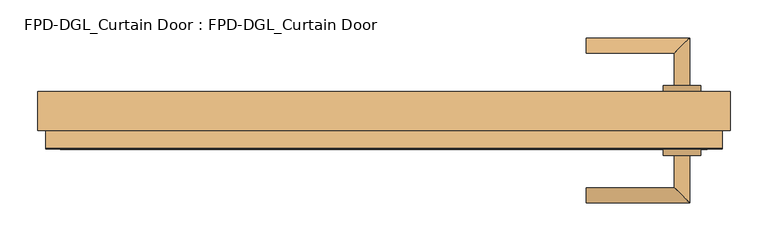
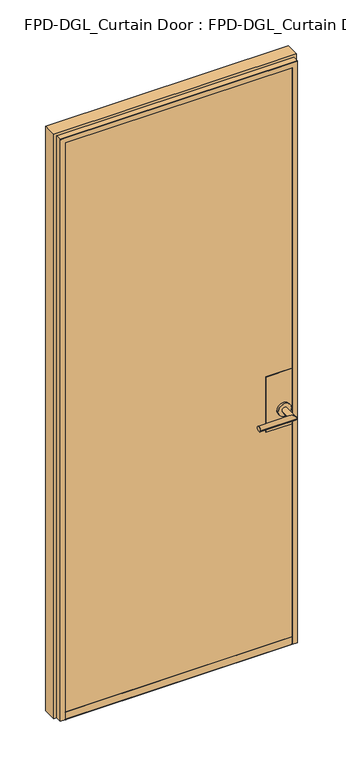
"""IFC4 building model written with IfcOpenShell, lengths in millimetres: door geometry, FPD-DGL_Curtain Door : FPD-DGL_Curtain Door."""

import ifcopenshell
import ifcopenshell.guid

model = None  # the IFC model being written
_history = None  # IfcOwnerHistory: only IFC2X3 demands one
_inside = {}  # id of a spatial element -> (the spatial element, [elements in it])
_under = {}  # id of a project, library or spatial element -> (it, [spatial elements below it])
_declared = {}  # id of a project -> (the project, [libraries it declares])
_typed = {}  # id of a type object -> (the type object, [elements of that type])
_made_of = {}  # id of a material, layer set ... -> (it, [elements and type objects made of it])


def new_model(schema):
    """Start an empty IFC model of exactly this schema.

    Asked for "IFC4X3", IfcOpenShell would pick the latest addendum, in which some entities
    have other attributes; the version numbers below select the first issue.
    IFC2X3 requires an IfcOwnerHistory on every rooted entity: one is made here for all.
    """
    global model, _history
    if schema == "IFC4X3":
        model = ifcopenshell.file(schema_version=(4, 3, 0, 0))
    else:
        model = ifcopenshell.file(schema=schema)
    _inside.clear()
    _under.clear()
    _declared.clear()
    _typed.clear()
    _made_of.clear()
    _history = None
    if model.schema == "IFC2X3":
        org = make("IfcOrganization", Name="unknown")
        user = make(
            "IfcPersonAndOrganization",
            ThePerson=make("IfcPerson", FamilyName="unknown"),
            TheOrganization=org,
        )
        app = make(
            "IfcApplication",
            ApplicationDeveloper=org,
            Version="unknown",
            ApplicationFullName="unknown",
            ApplicationIdentifier="unknown",
        )
        _history = make(
            "IfcOwnerHistory",
            OwningUser=user,
            OwningApplication=app,
            ChangeAction="ADDED",
            CreationDate=0,
        )
    return model


def make(cls, **values):
    """One entity of the class cls with the attributes given. An attribute that is None is left unset."""
    return model.create_entity(
        cls, **{name: value for name, value in values.items() if value is not None}
    )


def rooted(cls, **values):
    """An entity with a GlobalId (a new one), such as an element, a storey or a relation."""
    return make(cls, GlobalId=ifcopenshell.guid.new(), OwnerHistory=_history, **values)


def si_unit(unit_type, name, prefix=None):
    """IfcSIUnit, for example si_unit("LENGTHUNIT", "METRE", prefix="MILLI")."""
    return make("IfcSIUnit", UnitType=unit_type, Prefix=prefix, Name=name)


def assignment(units):
    """IfcUnitAssignment: the units of a project."""
    return None if units is None else make("IfcUnitAssignment", Units=units)


def point(xyz):
    """IfcCartesianPoint."""
    return None if xyz is None else make("IfcCartesianPoint", Coordinates=xyz)


def direction(xyz):
    """IfcDirection."""
    return None if xyz is None else make("IfcDirection", DirectionRatios=xyz)


def frame(location, z_axis=None, x_axis=None):
    """IfcAxis2Placement3D, a coordinate frame: its origin and axes. An axis left out is left unset."""
    return make(
        "IfcAxis2Placement3D",
        Location=point(location),
        Axis=direction(z_axis),
        RefDirection=direction(x_axis),
    )


def frame_2d(location, x_axis=None):
    """IfcAxis2Placement2D, a coordinate frame in the plane: its origin and x axis."""
    return make(
        "IfcAxis2Placement2D", Location=point(location), RefDirection=direction(x_axis)
    )


def origin():
    """The frame at (0, 0, 0) with its axes left unset."""
    return frame((0.0, 0.0, 0.0))


def place(relative_to, where):
    """IfcLocalPlacement: puts the frame where relative to a parent placement (None: the world)."""
    return make(
        "IfcLocalPlacement", PlacementRelTo=relative_to, RelativePlacement=where
    )


def context(
    kind, dimensions, precision=None, world=None, true_north=None, identifier=None
):
    """IfcGeometricRepresentationContext, for example the 3D "Model" context."""
    return make(
        "IfcGeometricRepresentationContext",
        ContextIdentifier=identifier,
        ContextType=kind,
        CoordinateSpaceDimension=dimensions,
        Precision=precision,
        WorldCoordinateSystem=world,
        TrueNorth=true_north,
    )


def project(units=None, contexts=None):
    """IfcProject with its units and contexts."""
    return rooted(
        "IfcProject",
        Name="project",
        RepresentationContexts=contexts,
        UnitsInContext=assignment(units),
    )


def spatial(cls, under=None, at=None, **own):
    """A site, building, storey or space (cls), placed at a placement, below another one or the project."""
    s = rooted(cls, ObjectPlacement=at, **own)
    if under is not None:
        _under.setdefault(under.id(), (under, []))[1].append(s)
    return s


def polyline(points):
    """IfcPolyline through the points."""
    return make("IfcPolyline", Points=[point(p) for p in points])


def circle_curve(where, radius):
    """IfcCircle in the frame where."""
    return make("IfcCircle", Position=where, Radius=radius)


def ellipse_curve(where, semi_axis1, semi_axis2):
    """IfcEllipse in the frame where."""
    return make(
        "IfcEllipse", Position=where, SemiAxis1=semi_axis1, SemiAxis2=semi_axis2
    )


def trimmed(basis, trim1, trim2, sense, master):
    """IfcTrimmedCurve: the piece of a basis curve between two trims."""
    return make(
        "IfcTrimmedCurve",
        BasisCurve=basis,
        Trim1=trim1,
        Trim2=trim2,
        SenseAgreement=sense,
        MasterRepresentation=master,
    )


def segment(curve, same_sense, transition):
    """IfcCompositeCurveSegment."""
    return make(
        "IfcCompositeCurveSegment",
        Transition=transition,
        SameSense=same_sense,
        ParentCurve=curve,
    )


def composite_curve(segments, self_intersect=None):
    """IfcCompositeCurve: segments joined end to end."""
    return make("IfcCompositeCurve", Segments=segments, SelfIntersect=self_intersect)


def outline(outer, holes=None, kind="AREA"):
    """IfcArbitraryClosedProfileDef: a profile drawn as a closed curve; with holes, ...WithVoids."""
    if holes is None:
        return make("IfcArbitraryClosedProfileDef", ProfileType=kind, OuterCurve=outer)
    return make(
        "IfcArbitraryProfileDefWithVoids",
        ProfileType=kind,
        OuterCurve=outer,
        InnerCurves=holes,
    )


def extrude(swept, where, along, depth):
    """IfcExtrudedAreaSolid: the profile swept, set in the frame where, extruded along a direction by depth."""
    return make(
        "IfcExtrudedAreaSolid",
        SweptArea=swept,
        Position=where,
        ExtrudedDirection=direction(along),
        Depth=depth,
    )


def shape(context_of_items, identifier, shape_type, items):
    """IfcShapeRepresentation: the items that make up one representation, for example the "Body"."""
    return make(
        "IfcShapeRepresentation",
        ContextOfItems=context_of_items,
        RepresentationIdentifier=identifier,
        RepresentationType=shape_type,
        Items=items,
    )


def source(mapping_origin, context_of_items, identifier, shape_type, items):
    """IfcRepresentationMap: a shape defined once, which mapped items show again and again."""
    return make(
        "IfcRepresentationMap",
        MappingOrigin=mapping_origin,
        MappedRepresentation=shape(context_of_items, identifier, shape_type, items),
    )


def transform(
    local_origin,
    x_axis=None,
    y_axis=None,
    z_axis=None,
    scale=None,
    scale2=None,
    scale3=None,
    uniform=True,
):
    """IfcCartesianTransformationOperator3D, or its non-uniform kind. x_axis, y_axis, z_axis: its Axis1, 2, 3."""
    if uniform:
        return make(
            "IfcCartesianTransformationOperator3D",
            Axis1=direction(x_axis),
            Axis2=direction(y_axis),
            LocalOrigin=point(local_origin),
            Scale=scale,
            Axis3=direction(z_axis),
        )
    return make(
        "IfcCartesianTransformationOperator3DnonUniform",
        Axis1=direction(x_axis),
        Axis2=direction(y_axis),
        LocalOrigin=point(local_origin),
        Scale=scale,
        Axis3=direction(z_axis),
        Scale2=scale2,
        Scale3=scale3,
    )


def mapped(mapping_source, mapping_target):
    """IfcMappedItem: shows the shape of a source again, moved by a transform."""
    return make(
        "IfcMappedItem", MappingSource=mapping_source, MappingTarget=mapping_target
    )


def made_of(thing, what):
    """Note that an element or type object is made of a material, layer set ...; save() writes the relation."""
    if what is not None:
        _made_of.setdefault(what.id(), (what, []))[1].append(thing)
    return thing


def element(
    cls,
    number,
    at=None,
    inside=None,
    cuts=None,
    type_object=None,
    material=None,
    context=None,
    identifier="Body",
    shape_type=None,
    held_by="IfcProductDefinitionShape",
    body=None,
    shapes=None,
    **own,
):
    """One element of the class cls, such as IfcWall. Its Tag is "e" and its number.

    at: its placement. inside: the storey or other place that contains it. cuts: it is an
    opening in that element (IfcRelVoidsElement). A single representation is given by context,
    identifier, shape_type and body (its items); several are given by shapes. held_by: the class
    of the entity that holds the representations. save() writes the other relations.
    """
    e = rooted(cls, Tag="e%d" % number, ObjectPlacement=at, **own)
    if body is not None:
        shapes = [shape(context, identifier, shape_type, body)]
    if shapes is not None:
        e.Representation = make(held_by, Representations=shapes)
    if inside is not None:
        _inside.setdefault(inside.id(), (inside, []))[1].append(e)
    if cuts is not None:
        rooted(
            "IfcRelVoidsElement", RelatingBuildingElement=cuts, RelatedOpeningElement=e
        )
    if type_object is not None:
        _typed.setdefault(type_object.id(), (type_object, []))[1].append(e)
    return made_of(e, material)


def aggregate(whole, parts):
    """IfcRelAggregates: a whole, such as a stair, and the parts it consists of."""
    return rooted("IfcRelAggregates", RelatingObject=whole, RelatedObjects=parts)


def save(model, path):
    """Write the relations noted so far, then the file.

    IfcRelAggregates (storeys below a building ...), IfcRelContainedInSpatialStructure (elements
    in a storey), IfcRelDefinesByType, IfcRelAssociatesMaterial and IfcRelDeclares: one each for
    every whole, place, type object, material and project.
    """
    for whole, parts in _under.values():
        aggregate(whole, parts)
    for where, things in _inside.values():
        rooted(
            "IfcRelContainedInSpatialStructure",
            RelatedElements=things,
            RelatingStructure=where,
        )
    for kind, things in _typed.values():
        rooted("IfcRelDefinesByType", RelatedObjects=things, RelatingType=kind)
    for what, things in _made_of.values():
        rooted("IfcRelAssociatesMaterial", RelatedObjects=things, RelatingMaterial=what)
    for by, libraries in _declared.values():
        rooted("IfcRelDeclares", RelatingContext=by, RelatedDefinitions=libraries)
    model.write(path)


def plane_surface(at):
    """IfcPlane: the flat surface through the origin of the frame at, square to its z axis."""
    return make("IfcPlane", Position=at)


def cylinder_surface(at, radius):
    """IfcCylindricalSurface: all points at the distance radius from the z axis of the frame at."""
    return make("IfcCylindricalSurface", Position=at, Radius=radius)


def revolved_surface(curve, axis_point, axis_direction):
    """IfcSurfaceOfRevolution: the curve turned about the line through axis_point along axis_direction."""
    return make(
        "IfcSurfaceOfRevolution",
        SweptCurve=make("IfcArbitraryOpenProfileDef", ProfileType="CURVE", Curve=curve),
        AxisPosition=make("IfcAxis1Placement", Location=point(axis_point), Axis=direction(axis_direction)),
    )


def advanced_brep(points, edges, surfaces, faces):
    """IfcAdvancedBrep: a solid bounded by faces that lie on surfaces and meet in shared edges.

    An edge is (start, end): straight between two places in points (the first is 0);
    or (start, end, curve); or (start, end, curve, False) where it runs against its curve.
    A face is (place in surfaces, loops), or (place, loops, False) where it looks against
    its surface's normal. A loop lists edges by number (the first is 1), with a minus sign
    where the edge is run from its end to its start. The first loop is the outer one.
    """
    corners = [point(p) for p in points]
    vertices = [make("IfcVertexPoint", VertexGeometry=c) for c in corners]
    made = []
    for start, end, *more in edges:
        made.append(
            make(
                "IfcEdgeCurve",
                EdgeStart=vertices[start],
                EdgeEnd=vertices[end],
                EdgeGeometry=more[0] if more else make("IfcPolyline", Points=[corners[start], corners[end]]),
                SameSense=more[1] if len(more) > 1 else True,
            )
        )
    hull = []
    for where, loops, *sense in faces:
        bounds = []
        for j, loop in enumerate(loops):
            ring = [make("IfcOrientedEdge", EdgeElement=made[abs(k) - 1], Orientation=k > 0) for k in loop]
            bounds.append(
                make(
                    "IfcFaceOuterBound" if j == 0 else "IfcFaceBound",
                    Bound=make("IfcEdgeLoop", EdgeList=ring),
                    Orientation=True,
                )
            )
        hull.append(make("IfcAdvancedFace", Bounds=bounds, FaceSurface=surfaces[where], SameSense=sense[0] if sense else True))
    return make("IfcAdvancedBrep", Outer=make("IfcClosedShell", CfsFaces=hull))


def fpd_dgl_curtain_door_fpd_dgl_curtain_door_8a4b8d6e(model_context):
    return source(origin(), model_context, "Body", "SolidModel", [
        advanced_brep(
        [(266.8069429, -89.1684274, 965.2), (266.8069429, -109.240371, 965.2), (403.728527, -109.240371, 965.2), (383.6565834, -89.1684274, 965.2), (383.6565834, -46.5341787, 965.2), (403.728527, -46.5341787, 965.2)],
        [
            (0, 1, circle_curve(frame((266.8069429, -99.2043992, 965.2), z_axis=(-1.0, 0.0, 0.0), x_axis=(0.0, -1.0, 0.0)), 10.0359718)),
            (1, 0, circle_curve(frame((266.8069429, -99.2043992, 965.2), z_axis=(-1.0, 0.0, 0.0), x_axis=(0.0, -1.0, 0.0)), 10.0359718)),
            (1, 2),
            (2, 3, ellipse_curve(frame((393.6925552, -99.2043992, 965.2), z_axis=(-0.7071067811865464, -0.7071067811865488, 0.0), x_axis=(-0.7071067811865487, 0.7071067811865464, 0.0)), 14.1930074, 10.0359718)),
            (3, 0),
            (3, 2, ellipse_curve(frame((393.6925552, -99.2043992, 965.2), z_axis=(-0.7071067811865464, -0.7071067811865488, 0.0), x_axis=(-0.7071067811865487, 0.7071067811865464, 0.0)), 14.1930074, 10.0359718)),
            (4, 5, circle_curve(frame((393.6925552, -46.5341787, 965.2), z_axis=(0.0, 1.0, 0.0), x_axis=(1.0, 0.0, 0.0)), 10.0359718)),
            (5, 4, circle_curve(frame((393.6925552, -46.5341787, 965.2), z_axis=(0.0, 1.0, 0.0), x_axis=(1.0, 0.0, 0.0)), 10.0359718)),
            (2, 5),
            (4, 3),
        ],
        [
            plane_surface(frame((266.8069429, -99.2043992, 965.2), z_axis=(-1.0, 0.0, 0.0), x_axis=(0.0, 0.0, 1.0))),
            cylinder_surface(frame((266.8069429, -99.2043992, 965.2), z_axis=(-1.0, 0.0, 0.0), x_axis=(0.0, -1.0, 0.0)), 10.0359718),
            plane_surface(frame((393.6925552, -46.5341787, 965.2), z_axis=(0.0, 1.0, 0.0), x_axis=(0.0, 0.0, 1.0))),
            cylinder_surface(frame((393.6925552, -99.2043992, 965.2), z_axis=(0.0, -1.0, 0.0), x_axis=(1.0, 0.0, 0.0)), 10.0359718),
        ],
        [
            (0, [[1, 2]]),
            (1, [[3, 4, 5, -2]]),
            (1, [[-5, 6, -3, -1]]),
            (2, [[7, 8]]),
            (3, [[9, -7, 10, -4]]),
            (3, [[-10, -8, -9, -6]]),
        ],
    ),
        advanced_brep(
        [(383.6565834, 46.3299066, 965.2), (403.728527, 46.3299066, 965.2), (403.728527, 109.0360989, 965.2), (383.6565834, 88.9641553, 965.2), (266.8069429, 88.9641553, 965.2), (266.8069429, 109.0360989, 965.2)],
        [
            (0, 1, circle_curve(frame((393.6925552, 46.3299066, 965.2), z_axis=(0.0, -1.0, 0.0), x_axis=(1.0, 0.0, 0.0)), 10.0359718)),
            (1, 0, circle_curve(frame((393.6925552, 46.3299066, 965.2), z_axis=(0.0, -1.0, 0.0), x_axis=(1.0, 0.0, 0.0)), 10.0359718)),
            (1, 2),
            (2, 3, ellipse_curve(frame((393.6925552, 99.0001271, 965.2), z_axis=(0.7071067811865487, -0.7071067811865464, 0.0), x_axis=(-0.7071067811865464, -0.7071067811865487, 0.0)), 14.1930074, 10.0359718)),
            (3, 0),
            (3, 2, ellipse_curve(frame((393.6925552, 99.0001271, 965.2), z_axis=(0.7071067811865487, -0.7071067811865464, 0.0), x_axis=(-0.7071067811865464, -0.7071067811865487, 0.0)), 14.1930074, 10.0359718)),
            (4, 5, circle_curve(frame((266.8069429, 99.0001271, 965.2), z_axis=(-1.0, 0.0, 0.0), x_axis=(0.0, 1.0, 0.0)), 10.0359718)),
            (5, 4, circle_curve(frame((266.8069429, 99.0001271, 965.2), z_axis=(-1.0, 0.0, 0.0), x_axis=(0.0, 1.0, 0.0)), 10.0359718)),
            (2, 5),
            (4, 3),
        ],
        [
            plane_surface(frame((393.6925552, 46.3299066, 965.2), z_axis=(0.0, -1.0, 0.0), x_axis=(0.0, 0.0, 1.0))),
            cylinder_surface(frame((393.6925552, 46.3299066, 965.2), z_axis=(0.0, -1.0, 0.0), x_axis=(1.0, 0.0, 0.0)), 10.0359718),
            plane_surface(frame((266.8069429, 99.0001271, 965.2), z_axis=(-1.0, 0.0, 0.0), x_axis=(0.0, 0.0, 1.0))),
            cylinder_surface(frame((393.6925552, 99.0001271, 965.2), z_axis=(1.0, 0.0, 0.0), x_axis=(0.0, 1.0, 0.0)), 10.0359718),
        ],
        [
            (0, [[1, 2]]),
            (1, [[3, 4, 5, -2]]),
            (1, [[-5, 6, -3, -1]]),
            (2, [[7, 8]]),
            (3, [[9, -7, 10, -4]]),
            (3, [[-10, -8, -9, -6]]),
        ],
    ),
        extrude(outline(composite_curve([segment(trimmed(circle_curve(frame_2d((965.2, 393.6925552)), 24.60625), [point((965.2, 369.0863052))], [point((965.2, 418.2988052))], False, "CARTESIAN"), True, "CONTINUOUS"), segment(trimmed(circle_curve(frame_2d((965.2, 393.6925552)), 24.60625), [point((965.2, 418.2988052))], [point((965.2, 369.0863052))], False, "CARTESIAN"), True, "CONTINUOUS")], self_intersect=False)), frame((0.0, 38.0000959, 0.0), z_axis=(0.0, 1.0, 0.0), x_axis=(0.0, 0.0, 1.0)), (0.0, 0.0, 1.0), 8.3298107),
        extrude(outline(composite_curve([segment(trimmed(circle_curve(frame_2d((965.2, 393.6925552)), 24.60625), [point((965.2, 369.0863052))], [point((965.2, 418.2988052))], False, "CARTESIAN"), True, "CONTINUOUS"), segment(trimmed(circle_curve(frame_2d((965.2, 393.6925552)), 24.60625), [point((965.2, 418.2988052))], [point((965.2, 369.0863052))], False, "CARTESIAN"), True, "CONTINUOUS")], self_intersect=False)), frame((0.0, -46.5341787, 0.0), z_axis=(0.0, 1.0, 0.0), x_axis=(0.0, 0.0, 1.0)), (0.0, 0.0, 1.0), 8.3342763),
        extrude(outline(polyline([(427.1926151, 38.0000959), (427.1926151, 36.6000989), (327.1925025, 36.6000989), (327.1925025, 38.0000959), (427.1926151, 38.0000959)])), frame((0.0, 0.0, 893.55), z_axis=(0.0, 0.0, 1.0), x_axis=(1.0, 0.0, 0.0)), (0.0, 0.0, 1.0), 220.0),
        extrude(outline(polyline([(427.1926151, -36.7999054), (427.1926151, -38.1999024), (327.1925025, -38.1999024), (327.1925025, -36.7999054), (427.1926151, -36.7999054)])), frame((0.0, 0.0, 893.55), z_axis=(0.0, 0.0, 1.0), x_axis=(1.0, 0.0, 0.0)), (0.0, 0.0, 1.0), 220.0),
        extrude(outline(polyline([(-437.7887862, -28.1030481), (437.7887862, -28.1030481), (437.7887862, -36.7999054), (-437.7887862, -36.7999054), (-437.7887862, -28.1030481)])), frame((0.0, 0.0, 35.2749614), z_axis=(0.0, 0.0, 1.0), x_axis=(1.0, 0.0, 0.0)), (0.0, 0.0, 1.0), 2284.7942742),
        extrude(outline(polyline([(437.7887862, 28.0762398), (-437.7887862, 28.0762398), (-437.7887862, 36.7730971), (437.7887862, 36.7730971), (437.7887862, 28.0762398)])), frame((0.0, 0.0, 35.2749614), z_axis=(0.0, 0.0, 1.0), x_axis=(1.0, 0.0, 0.0)), (0.0, 0.0, 1.0), 2284.7942742),
        advanced_brep(
        [(457.1817785, 38.0731917, 15.875), (457.1817785, -13.9501736, 15.875), (446.8671162, -13.9501736, 15.875), (446.8671162, -37.2997247, 15.875), (446.0674052, -38.0994357, 15.875), (427.1926151, -38.0994357, 15.875), (427.1926151, -36.7999054, 15.875), (437.7887862, -36.7999054, 15.875), (437.7887862, -28.1030481, 15.875), (427.1926151, -28.1030481, 15.875), (427.1926151, 28.076804, 15.875), (437.7887864, 28.076804, 15.875), (437.7887864, 36.773661, 15.875), (427.1926151, 36.773661, 15.875), (427.1926151, 38.0731917, 15.875), (427.1926151, 38.0731917, 2309.4730644), (-427.1926151, 38.0731917, 2309.4730644), (-427.1926151, 38.0731917, 15.875), (-457.1817785, 38.0731917, 15.875), (-457.1817785, 38.0731917, 2339.4622278), (457.1817785, 38.0731917, 2339.4622278), (427.1926151, 36.773661, 2309.4730644), (437.7887864, 36.773661, 2320.0692356), (-437.7887864, 36.773661, 2320.0692356), (-437.7887864, 36.773661, 15.875), (-427.1926151, 36.773661, 15.875), (-427.1926151, 36.773661, 2309.4730644), (437.7887864, 28.076804, 2320.0692356), (427.1926151, 28.076804, 2309.4730644), (-427.1926151, 28.076804, 2309.4730644), (-427.1926151, 28.076804, 15.875), (-437.7887864, 28.076804, 15.875), (-437.7887864, 28.076804, 2320.0692356), (427.1926151, -28.1030481, 2309.4730644), (437.7887862, -28.1030481, 2320.0692355), (-437.7887862, -28.1030481, 2320.0692355), (-437.7887862, -28.1030481, 15.875), (-427.1926151, -28.1030481, 15.875), (-427.1926151, -28.1030481, 2309.4730644), (437.7887862, -36.7999054, 2320.0692355), (427.1926151, -36.7999054, 2309.4730644), (-427.1926151, -36.7999054, 2309.4730644), (-427.1926151, -36.7999054, 15.875), (-437.7887862, -36.7999054, 15.875), (-437.7887862, -36.7999054, 2320.0692355), (427.1926151, -38.0994357, 2309.4730644), (446.0674052, -38.0994357, 2328.3478545), (-446.0674052, -38.0994357, 2328.3478545), (-446.0674052, -38.0994357, 15.875), (-427.1926151, -38.0994357, 15.875), (-427.1926151, -38.0994357, 2309.4730644), (446.8671162, -37.2997247, 2329.1475655), (446.8671162, -13.9501736, 2329.1475655), (457.1817785, -13.9501736, 2339.4622278), (-457.1817785, -13.9501736, 2339.4622278), (-457.1817785, -13.9501736, 15.875), (-446.8671162, -13.9501736, 15.875), (-446.8671162, -13.9501736, 2329.1475655), (-446.8671162, -37.2997247, 15.875), (-446.8671162, -37.2997247, 2329.1475655)],
        [
            (0, 1),
            (1, 2),
            (2, 3),
            (3, 4, circle_curve(frame((446.0674052, -37.2997247, 15.875), z_axis=(0.0, 0.0, -1.0), x_axis=(0.0, 1.0, 0.0)), 0.799711)),
            (4, 5),
            (5, 6),
            (6, 7),
            (7, 8),
            (8, 9),
            (9, 10),
            (10, 11),
            (11, 12),
            (12, 13),
            (13, 14),
            (14, 0),
            (14, 15),
            (15, 16),
            (16, 17),
            (17, 18),
            (18, 19),
            (19, 20),
            (20, 0),
            (13, 21),
            (21, 15),
            (12, 22),
            (22, 23),
            (23, 24),
            (24, 25),
            (25, 26),
            (26, 21),
            (11, 27),
            (27, 22),
            (10, 28),
            (28, 29),
            (29, 30),
            (30, 31),
            (31, 32),
            (32, 27),
            (9, 33),
            (33, 28),
            (8, 34),
            (34, 35),
            (35, 36),
            (36, 37),
            (37, 38),
            (38, 33),
            (7, 39),
            (39, 34),
            (6, 40),
            (40, 41),
            (41, 42),
            (42, 43),
            (43, 44),
            (44, 39),
            (5, 45),
            (45, 40),
            (4, 46),
            (46, 47),
            (47, 48),
            (48, 49),
            (49, 50),
            (50, 45),
            (3, 51),
            (51, 46, ellipse_curve(frame((446.0674052, -37.2997247, 2328.3478545), z_axis=(0.7071067811865475, 0.0, -0.7071067811865475), x_axis=(-0.7071067811865474, 0.0, -0.7071067811865476)), 1.1309622, 0.799711)),
            (2, 52),
            (52, 51),
            (1, 53),
            (53, 54),
            (54, 55),
            (55, 56),
            (56, 57),
            (57, 52),
            (20, 53),
            (18, 55),
            (54, 19),
            (17, 25),
            (24, 31),
            (30, 37),
            (36, 43),
            (42, 49),
            (48, 58, circle_curve(frame((-446.0674052, -37.2997247, 15.875), z_axis=(0.0, 0.0, -1.0), x_axis=(0.0, 1.0, 0.0)), 0.799711)),
            (58, 56),
            (16, 26),
            (23, 32),
            (29, 38),
            (35, 44),
            (41, 50),
            (59, 58),
            (47, 59, ellipse_curve(frame((-446.0674052, -37.2997247, 2328.3478545), z_axis=(-0.7071067811865475, 0.0, -0.7071067811865475), x_axis=(-0.7071067811865474, 0.0, 0.7071067811865476)), 1.1309622, 0.799711)),
            (59, 57),
            (51, 59),
        ],
        [
            plane_surface(frame((457.1817785, -0.0134041, 15.875), z_axis=(0.0, 0.0, -1.0), x_axis=(0.0, 1.0, 0.0))),
            plane_surface(frame((457.1817785, 38.0731917, 15.875), z_axis=(0.0, 1.0, 0.0), x_axis=(0.0, 0.0, 1.0))),
            plane_surface(frame((427.1926151, 38.0731917, 15.875), z_axis=(-1.0, 0.0, 0.0), x_axis=(0.0, 0.0, 1.0))),
            plane_surface(frame((427.1926151, 36.773661, 15.875), z_axis=(0.0, -1.0, 0.0), x_axis=(0.0, 0.0, 1.0))),
            plane_surface(frame((437.7887864, 36.773661, 15.875), z_axis=(-1.0, 0.0, 0.0), x_axis=(0.0, 0.0, 1.0))),
            plane_surface(frame((437.7887864, 28.076804, 15.875), z_axis=(0.0, 1.0, 0.0), x_axis=(0.0, 0.0, 1.0))),
            plane_surface(frame((427.1926151, 28.076804, 15.875), z_axis=(-1.0, 0.0, 0.0), x_axis=(0.0, 0.0, 1.0))),
            plane_surface(frame((427.1926151, -28.1030481, 15.875), z_axis=(0.0, -1.0, 0.0), x_axis=(0.0, 0.0, 1.0))),
            plane_surface(frame((437.7887862, -28.1030481, 15.875), z_axis=(-1.0, 0.0, 0.0), x_axis=(0.0, 0.0, 1.0))),
            plane_surface(frame((437.7887862, -36.7999054, 15.875), z_axis=(0.0, 1.0, 0.0), x_axis=(0.0, 0.0, 1.0))),
            plane_surface(frame((427.1926151, -36.7999054, 15.875), z_axis=(-1.0, 0.0, 0.0), x_axis=(0.0, 0.0, 1.0))),
            plane_surface(frame((427.1926151, -38.0994357, 15.875), z_axis=(0.0, -1.0, 0.0), x_axis=(0.0, 0.0, 1.0))),
            cylinder_surface(frame((446.0674052, -37.2997247, 15.875), z_axis=(0.0, 0.0, -1.0), x_axis=(0.0, 1.0, 0.0)), 0.799711),
            plane_surface(frame((446.8671162, -37.2997247, 15.875), z_axis=(1.0, 0.0, 0.0), x_axis=(0.0, 0.0, 1.0))),
            plane_surface(frame((446.8671162, -13.9501736, 15.875), z_axis=(0.0, -1.0, 0.0), x_axis=(0.0, 0.0, 1.0))),
            plane_surface(frame((457.1817785, -13.9501736, 15.875), z_axis=(1.0, 0.0, 0.0), x_axis=(0.0, 0.0, 1.0))),
            plane_surface(frame((-457.1817785, -13.9501736, 2339.4622278), z_axis=(-1.0, 0.0, 0.0), x_axis=(0.0, 0.0, -1.0))),
            plane_surface(frame((-457.1817785, -0.0134041, 15.875), z_axis=(0.0, 0.0, -1.0), x_axis=(0.0, 1.0, 0.0))),
            plane_surface(frame((-427.1926151, 38.0731917, 2309.4730644), z_axis=(1.0, 0.0, 0.0), x_axis=(0.0, 0.0, -1.0))),
            plane_surface(frame((-437.7887864, 36.773661, 2320.0692356), z_axis=(1.0, 0.0, 0.0), x_axis=(0.0, 0.0, -1.0))),
            plane_surface(frame((-427.1926151, 28.076804, 2309.4730644), z_axis=(1.0, 0.0, 0.0), x_axis=(0.0, 0.0, -1.0))),
            plane_surface(frame((-437.7887862, -28.1030481, 2320.0692355), z_axis=(1.0, 0.0, 0.0), x_axis=(0.0, 0.0, -1.0))),
            plane_surface(frame((-427.1926151, -36.7999054, 2309.4730644), z_axis=(1.0, 0.0, 0.0), x_axis=(0.0, 0.0, -1.0))),
            cylinder_surface(frame((-446.0674052, -37.2997247, 2339.4622278), z_axis=(0.0, 0.0, 1.0), x_axis=(0.0, 1.0, 0.0)), 0.799711),
            plane_surface(frame((-446.8671162, -37.2997247, 2329.1475655), z_axis=(-1.0, 0.0, 0.0), x_axis=(0.0, 0.0, -1.0))),
            plane_surface(frame((427.1926151, 38.0731917, 2309.4730644), z_axis=(0.0, 0.0, -1.0), x_axis=(-1.0, 0.0, 0.0))),
            plane_surface(frame((437.7887864, 36.773661, 2320.0692356), z_axis=(0.0, 0.0, -1.0), x_axis=(-1.0, 0.0, 0.0))),
            plane_surface(frame((427.1926151, 28.076804, 2309.4730644), z_axis=(0.0, 0.0, -1.0), x_axis=(-1.0, 0.0, 0.0))),
            plane_surface(frame((437.7887862, -28.1030481, 2320.0692355), z_axis=(0.0, 0.0, -1.0), x_axis=(-1.0, 0.0, 0.0))),
            plane_surface(frame((427.1926151, -36.7999054, 2309.4730644), z_axis=(0.0, 0.0, -1.0), x_axis=(-1.0, 0.0, 0.0))),
            cylinder_surface(frame((457.1817785, -37.2997247, 2328.3478545), z_axis=(1.0, 0.0, 0.0), x_axis=(0.0, 1.0, 0.0)), 0.799711),
            plane_surface(frame((446.8671162, -37.2997247, 2329.1475655), z_axis=(0.0, 0.0, 1.0), x_axis=(-1.0, 0.0, 0.0))),
            plane_surface(frame((457.1817785, -13.9501736, 2339.4622278), z_axis=(0.0, 0.0, 1.0), x_axis=(-1.0, 0.0, 0.0))),
        ],
        [
            (0, [[1, 2, 3, 4, 5, 6, 7, 8, 9, 10, 11, 12, 13, 14, 15]]),
            (1, [[16, 17, 18, 19, 20, 21, 22, -15]]),
            (2, [[23, 24, -16, -14]]),
            (3, [[25, 26, 27, 28, 29, 30, -23, -13]]),
            (4, [[31, 32, -25, -12]]),
            (5, [[33, 34, 35, 36, 37, 38, -31, -11]]),
            (6, [[39, 40, -33, -10]]),
            (7, [[41, 42, 43, 44, 45, 46, -39, -9]]),
            (8, [[47, 48, -41, -8]]),
            (9, [[49, 50, 51, 52, 53, 54, -47, -7]]),
            (10, [[55, 56, -49, -6]]),
            (11, [[57, 58, 59, 60, 61, 62, -55, -5]]),
            (12, [[63, 64, -57, -4]]),
            (13, [[65, 66, -63, -3]]),
            (14, [[67, 68, 69, 70, 71, 72, -65, -2]]),
            (15, [[-22, 73, -67, -1]]),
            (16, [[-20, 74, -69, 75]]),
            (17, [[-19, 76, -28, 77, -36, 78, -44, 79, -52, 80, -60, 81, 82, -70, -74]]),
            (18, [[-29, -76, -18, 83]]),
            (19, [[-37, -77, -27, 84]]),
            (20, [[-45, -78, -35, 85]]),
            (21, [[-53, -79, -43, 86]]),
            (22, [[-61, -80, -51, 87]]),
            (23, [[88, -81, -59, 89]]),
            (24, [[-71, -82, -88, 90]]),
            (25, [[-30, -83, -17, -24]]),
            (26, [[-38, -84, -26, -32]]),
            (27, [[-46, -85, -34, -40]]),
            (28, [[-54, -86, -42, -48]]),
            (29, [[-62, -87, -50, -56]]),
            (30, [[91, -89, -58, -64]]),
            (31, [[-72, -90, -91, -66]]),
            (32, [[-21, -75, -68, -73]]),
        ],
    ),
        advanced_brep(
        [(427.1926151, -28.127892, 45.8749402), (427.1926151, -28.127892, 35.2749613), (427.1926151, -36.8278651, 35.2749613), (427.1926151, -36.8278651, 43.0952791), (427.1926151, -36.7278654, 44.0749434), (427.1926151, -36.7278654, 45.8749402), (427.1926151, -38.1278625, 45.8749402), (427.1926151, -38.1278625, 16.6749984), (427.1926151, -37.3278641, 15.875), (427.1926151, 38.0721375, 15.875), (427.1926151, 38.0721375, 45.8749402), (427.1926151, 36.6721405, 45.8749402), (427.1926151, 36.6721405, 44.0749436), (427.1926151, 36.7721402, 43.0952793), (427.1926151, 36.7721402, 35.7749604), (427.1926151, 36.2721409, 35.2749614), (427.1926151, 28.0721576, 35.2749614), (427.1926151, 28.0721576, 45.8749402), (-427.4700362, -28.127892, 45.8749402), (-427.4700362, 28.0721576, 45.8749402), (-427.4700362, 28.0721576, 35.2749614), (-427.4700362, 36.2721409, 35.2749614), (-427.4700362, 36.7721399, 35.7749604), (-427.4700362, 36.7721402, 43.0952793), (-427.4700362, 36.6721405, 44.0749436), (-427.4700362, 36.6721405, 45.8749402), (-427.4700362, 38.0721375, 45.8749402), (-427.4700362, 38.0721375, 15.875), (-427.4700362, -37.3278641, 15.875), (-427.4700362, -38.1278625, 16.6749984), (-427.4700362, -38.1278625, 45.8749402), (-427.4700362, -36.7278654, 45.8749402), (-427.4700362, -36.7278654, 44.0749434), (-427.4700362, -36.8278651, 43.0952791), (-427.4700362, -36.8278651, 35.2749613), (-427.4700362, -28.127892, 35.2749613)],
        [
            (0, 1),
            (1, 2),
            (2, 3),
            (3, 4),
            (4, 5),
            (5, 6),
            (6, 7),
            (7, 8, circle_curve(frame((427.1926151, -37.3278641, 16.6749984), z_axis=(1.0, 0.0, 0.0), x_axis=(0.0, 0.0, -1.0)), 0.7999984)),
            (8, 9),
            (9, 10),
            (10, 11),
            (11, 12),
            (12, 13),
            (13, 14),
            (14, 15, circle_curve(frame((427.1926151, 36.2721409, 35.7749604), z_axis=(-1.0, 0.0, 0.0), x_axis=(0.0, 0.0, -1.0)), 0.499999)),
            (15, 16),
            (16, 17),
            (17, 0),
            (18, 19),
            (19, 20),
            (20, 21),
            (21, 22, circle_curve(frame((-427.4700362, 36.2721409, 35.7749604), z_axis=(1.0, 0.0, 0.0), x_axis=(0.0, 0.0, -1.0)), 0.499999)),
            (22, 23),
            (23, 24),
            (24, 25),
            (25, 26),
            (26, 27),
            (27, 28),
            (28, 29, circle_curve(frame((-427.4700362, -37.3278641, 16.6749984), z_axis=(-1.0, 0.0, 0.0), x_axis=(0.0, 0.0, -1.0)), 0.7999984)),
            (29, 30),
            (30, 31),
            (31, 32),
            (32, 33),
            (33, 34),
            (34, 35),
            (35, 18),
            (17, 19),
            (18, 0),
            (16, 20),
            (15, 21),
            (14, 22),
            (13, 23),
            (12, 24),
            (11, 25),
            (10, 26),
            (9, 27),
            (8, 28),
            (7, 29),
            (6, 30),
            (5, 31),
            (4, 32),
            (3, 33),
            (2, 34),
            (1, 35),
        ],
        [
            plane_surface(frame((427.1926151, -0.0134041, 15.875), z_axis=(1.0, 0.0, 0.0), x_axis=(0.0, 1.0, 0.0))),
            plane_surface(frame((-427.4700362, -0.0134041, 15.875), z_axis=(-1.0, 0.0, 0.0), x_axis=(0.0, 1.0, 0.0))),
            plane_surface(frame((427.1926151, -28.127892, 45.8749402), z_axis=(0.0, 0.0, 1.0), x_axis=(-1.0, 0.0, 0.0))),
            plane_surface(frame((427.1926151, 28.0721576, 45.8749402), z_axis=(0.0, 1.0, 0.0), x_axis=(-1.0, 0.0, 0.0))),
            plane_surface(frame((427.1926151, 28.0721576, 35.2749614), z_axis=(0.0, 0.0, 1.0), x_axis=(-1.0, 0.0, 0.0))),
            revolved_surface(polyline([(-427.4700362, 36.2721409, 35.274961399999995), (427.1926151, 36.2721409, 35.274961399999995)]), (427.1926151, 36.2721409, 35.7749604), (-1.0, 0.0, 0.0)),
            plane_surface(frame((427.1926151, 36.7721402, 35.7749604), z_axis=(0.0, -1.0, 0.0), x_axis=(-1.0, 0.0, 0.0))),
            plane_surface(frame((427.1926151, 36.7721402, 43.0952793), z_axis=(0.0, -0.9948306566600448, -0.10154784374541988), x_axis=(-1.0, 0.0, 0.0))),
            plane_surface(frame((427.1926151, 36.6721405, 44.0749436), z_axis=(0.0, -1.0, 0.0), x_axis=(-1.0, 0.0, 0.0))),
            plane_surface(frame((427.1926151, 36.6721405, 45.8749402), z_axis=(0.0, 0.0, 1.0), x_axis=(-1.0, 0.0, 0.0))),
            plane_surface(frame((427.1926151, 38.0721375, 45.8749402), z_axis=(0.0, 1.0, 0.0), x_axis=(-1.0, 0.0, 0.0))),
            plane_surface(frame((427.1926151, 38.0721375, 15.875), z_axis=(0.0, 0.0, -1.0), x_axis=(-1.0, 0.0, 0.0))),
            cylinder_surface(frame((427.1926151, -37.3278641, 16.6749984), z_axis=(1.0, 0.0, 0.0), x_axis=(0.0, 0.0, -1.0)), 0.7999984),
            plane_surface(frame((427.1926151, -38.1278625, 16.6749984), z_axis=(0.0, -1.0, 0.0), x_axis=(-1.0, 0.0, 0.0))),
            plane_surface(frame((427.1926151, -38.1278625, 45.8749402), z_axis=(0.0, 0.0, 1.0), x_axis=(-1.0, 0.0, 0.0))),
            plane_surface(frame((427.1926151, -36.7278654, 45.8749402), z_axis=(0.0, 1.0, 0.0), x_axis=(-1.0, 0.0, 0.0))),
            plane_surface(frame((427.1926151, -36.7278654, 44.0749434), z_axis=(0.0, 0.9948306566625575, -0.10154784372080249), x_axis=(-1.0, 0.0, 0.0))),
            plane_surface(frame((427.1926151, -36.8278651, 43.0952791), z_axis=(0.0, 1.0, 0.0), x_axis=(-1.0, 0.0, 0.0))),
            plane_surface(frame((427.1926151, -36.8278651, 35.2749613), z_axis=(0.0, 0.0, 1.0), x_axis=(-1.0, 0.0, 0.0))),
            plane_surface(frame((427.1926151, -28.127892, 35.2749613), z_axis=(0.0, -1.0, 0.0), x_axis=(-1.0, 0.0, 0.0))),
        ],
        [
            (0, [[1, 2, 3, 4, 5, 6, 7, 8, 9, 10, 11, 12, 13, 14, 15, 16, 17, 18]]),
            (1, [[19, 20, 21, 22, 23, 24, 25, 26, 27, 28, 29, 30, 31, 32, 33, 34, 35, 36]]),
            (2, [[37, -19, 38, -18]]),
            (3, [[39, -20, -37, -17]]),
            (4, [[40, -21, -39, -16]]),
            (5, [[41, -22, -40, -15]]),
            (6, [[42, -23, -41, -14]]),
            (7, [[43, -24, -42, -13]]),
            (8, [[44, -25, -43, -12]]),
            (9, [[45, -26, -44, -11]]),
            (10, [[46, -27, -45, -10]]),
            (11, [[47, -28, -46, -9]]),
            (12, [[48, -29, -47, -8]]),
            (13, [[49, -30, -48, -7]]),
            (14, [[50, -31, -49, -6]]),
            (15, [[51, -32, -50, -5]]),
            (16, [[52, -33, -51, -4]]),
            (17, [[53, -34, -52, -3]]),
            (18, [[54, -35, -53, -2]]),
            (19, [[-38, -36, -54, -1]]),
        ],
    ),
    ])


if __name__ == "__main__":
    model = new_model("IFC4")
    model_context = context("Model", 3, world=origin())
    ifc_project = project(units=[si_unit("LENGTHUNIT", "METRE", prefix="MILLI")], contexts=[model_context])
    site = spatial("IfcSite", under=ifc_project)
    building = spatial("IfcBuilding", under=site)
    placement = place(None, origin())
    fpd_dgl_curtain_door_fpd_dgl_curtain_door_shape = fpd_dgl_curtain_door_fpd_dgl_curtain_door_8a4b8d6e(model_context)
    element("IfcDoor", 1, ObjectType="FPD-DGL_Curtain Door : FPD-DGL_Curtain Door", at=placement, inside=building, context=model_context, shape_type="MappedRepresentation", body=[
        mapped(fpd_dgl_curtain_door_fpd_dgl_curtain_door_shape, transform((0.0, 0.0, 0.0), x_axis=(1.0, 0.0, 0.0), y_axis=(0.0, 1.0, 0.0), z_axis=(0.0, 0.0, 1.0))),
    ])
    save(model, "model.ifc")
